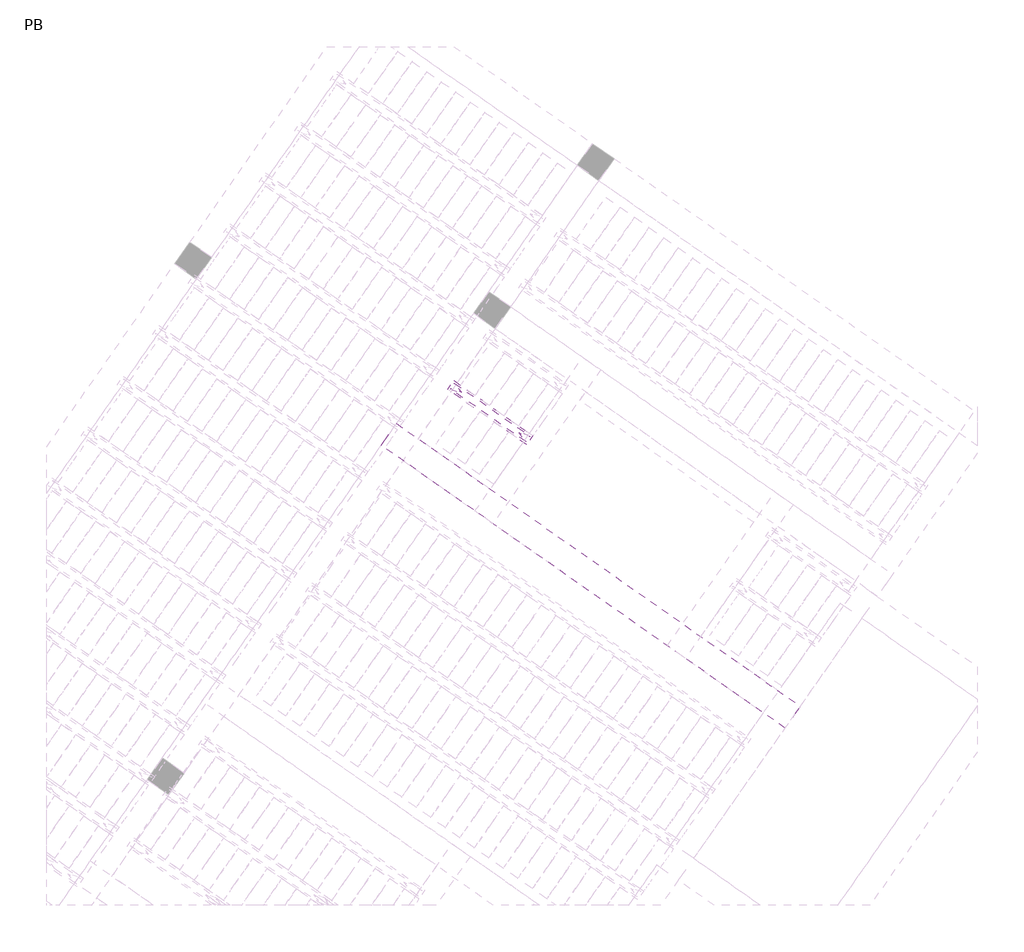
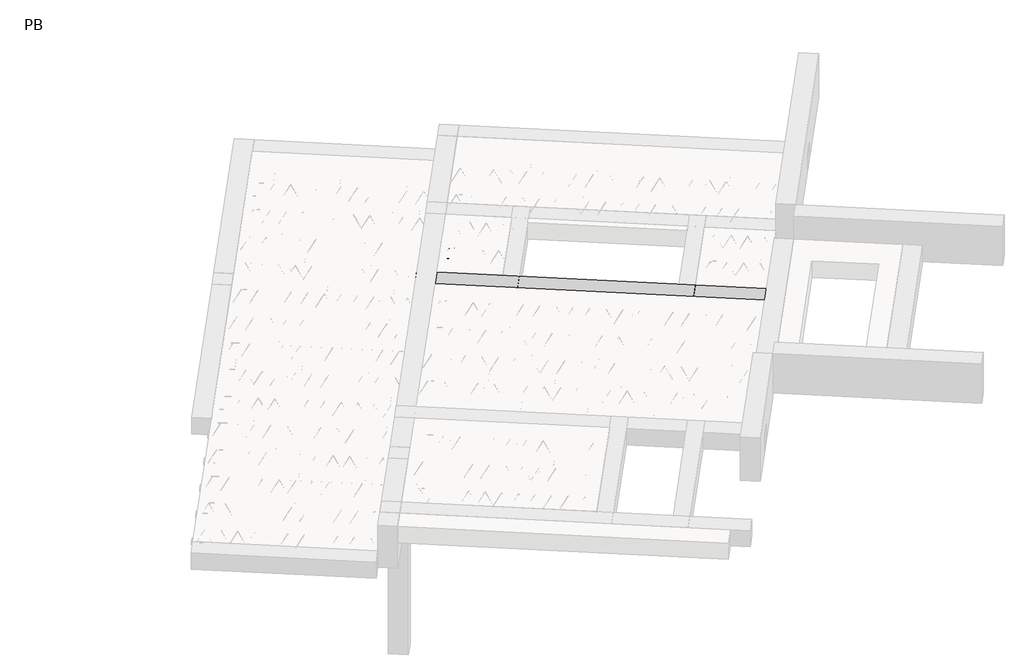
# One storey, part 39 of 56: 5 beams.
"""IFC4 building model written with IfcOpenShell, lengths in millimetres."""

from ifc_helpers import new_model, si_unit, point, frame, origin, origin_2d, place, context, project, spatial, polyline, circle_curve, trimmed, segment, composite_curve, outline, extrude, element, save

model = new_model("IFC4")

# Units and contexts
model_context = context("Model", 3, world=origin())
ifc_project = project(units=[si_unit("LENGTHUNIT", "METRE", prefix="MILLI")], contexts=[model_context])

# Site, building, storey
site = spatial("IfcSite", under=ifc_project)
building = spatial("IfcBuilding", under=site)
storey = spatial("IfcBuildingStorey", under=building, Name="PB", Elevation=95940.0)

# Beams
placement = place(None, origin())
element("IfcBeam", 1, at=placement, inside=storey, context=model_context, shape_type="SweptSolid", body=[
    extrude(outline(polyline([(2800.6463897, 8403.6870499), (2869.475562, 8501.9852952), (5232.259621, 6847.5460859), (5163.4304487, 6749.2478406), (2800.6463897, 8403.6870499)])), frame((0.0, 0.0, 98760.0), z_axis=(0.0, 0.0, 1.0), x_axis=(1.0, 0.0, 0.0)), (0.0, 0.0, 1.0), 50.0),
])
element("IfcBeam", 2, at=placement, inside=storey, context=model_context, shape_type="SweptSolid", body=[
    extrude(outline(polyline([(5327.2608575, 6634.5325533), (5396.0900299, 6732.8307986), (6291.2057032, 6106.0640565), (6222.3765308, 6007.7658112), (5327.2608575, 6634.5325533)])), frame((0.0, 0.0, 99220.0), z_axis=(0.0, 0.0, 1.0), x_axis=(1.0, 0.0, 0.0)), (0.0, 0.0, 1.0), 50.0),
])
element("IfcBeam", 3, at=placement, inside=storey, context=model_context, shape_type="SweptSolid", body=[
    extrude(outline(composite_curve([segment(trimmed(circle_curve(origin_2d(), 2.5), [point((-2.5000001, 0.0))], [point((2.5, 0.0))], False, "CARTESIAN"), True, "CONTINUOUS"), segment(trimmed(circle_curve(origin_2d(), 2.5), [point((2.5, 0.0))], [point((-2.5000001, 0.0))], False, "CARTESIAN"), True, "CONTINUOUS")], self_intersect=False)), frame((6216.4827162, 6041.1912948, 99245.0), z_axis=(-0.8191520442696126, 0.5735764363787226, 0.0), x_axis=(0.5735764363787226, 0.8191520442696126, 0.0)), (0.0, 0.0, 1.0), 1044.734468),
    extrude(outline(composite_curve([segment(trimmed(circle_curve(origin_2d(), 2.5), [point((-2.5000001, 0.0))], [point((2.5, 0.0))], False, "CARTESIAN"), True, "CONTINUOUS"), segment(trimmed(circle_curve(origin_2d(), 2.5), [point((2.5, 0.0))], [point((-2.5000001, 0.0))], False, "CARTESIAN"), True, "CONTINUOUS")], self_intersect=False)), frame((6157.372899, 6126.5283196, 99470.0), z_axis=(-0.8191520442696126, 0.5735764363787226, 0.0), x_axis=(0.5735764363787226, 0.8191520442696126, 0.0)), (0.0, 0.0, 1.0), 850.0),
    extrude(outline(composite_curve([segment(trimmed(circle_curve(origin_2d(), 2.5), [point((-2.5, 0.0))], [point((2.5, 1e-07))], False, "CARTESIAN"), True, "CONTINUOUS"), segment(trimmed(circle_curve(origin_2d(), 2.5), [point((2.5, 1e-07))], [point((-2.5, 0.0))], False, "CARTESIAN"), True, "CONTINUOUS")], self_intersect=False)), frame((6198.1605506, 6054.0206132, 99245.0), z_axis=(-0.3145304735701046, 0.38933448886848654, 0.8657304643902053), x_axis=(0.7778747638402499, 0.6284193279813057, 0.0)), (0.0, 0.0, 1.0), 259.8961331),
    extrude(outline(composite_curve([segment(trimmed(circle_curve(origin_2d(), 2.5), [point((2.5, 0.0))], [point((-2.5, 1e-07))], False, "CARTESIAN"), True, "CONTINUOUS"), segment(trimmed(circle_curve(origin_2d(), 2.5), [point((-2.5, 1e-07))], [point((2.5, 0.0))], False, "CARTESIAN"), True, "CONTINUOUS")], self_intersect=False)), frame((5993.3725395, 6197.4147223, 99245.0), z_axis=(0.47343050384693375, -0.16240172737369005, 0.8657304643902051), x_axis=(-0.3244721671091268, -0.9458952440791246, 0.0)), (0.0, 0.0, 1.0), 259.8961331),
    extrude(outline(composite_curve([segment(trimmed(circle_curve(origin_2d(), 2.5), [point((-2.5, 0.0))], [point((2.5, 1e-07))], False, "CARTESIAN"), True, "CONTINUOUS"), segment(trimmed(circle_curve(origin_2d(), 2.5), [point((2.5, 1e-07))], [point((-2.5, 0.0))], False, "CARTESIAN"), True, "CONTINUOUS")], self_intersect=False)), frame((5993.3725395, 6197.4147223, 99245.0), z_axis=(-0.3145304735701046, 0.38933448886848654, 0.8657304643902053), x_axis=(0.7778747638402499, 0.6284193279813057, 0.0)), (0.0, 0.0, 1.0), 259.8961331),
    extrude(outline(composite_curve([segment(trimmed(circle_curve(origin_2d(), 2.5), [point((2.5, 0.0))], [point((-2.5, 0.0))], False, "CARTESIAN"), True, "CONTINUOUS"), segment(trimmed(circle_curve(origin_2d(), 2.5), [point((-2.5, 0.0))], [point((2.5, 0.0))], False, "CARTESIAN"), True, "CONTINUOUS")], self_intersect=False)), frame((5788.5845285, 6340.8088314, 99245.0), z_axis=(0.47343050384693375, -0.16240172737369005, 0.8657304643902051), x_axis=(-0.3244721671091268, -0.9458952440791246, 0.0)), (0.0, 0.0, 1.0), 259.8961331),
    extrude(outline(composite_curve([segment(trimmed(circle_curve(origin_2d(), 2.5), [point((-2.5, 0.0))], [point((2.5, 0.0))], False, "CARTESIAN"), True, "CONTINUOUS"), segment(trimmed(circle_curve(origin_2d(), 2.5), [point((2.5, 0.0))], [point((-2.5, 0.0))], False, "CARTESIAN"), True, "CONTINUOUS")], self_intersect=False)), frame((5788.5845285, 6340.8088314, 99245.0), z_axis=(-0.3145304735701046, 0.38933448886848654, 0.8657304643902053), x_axis=(0.7778747638402499, 0.6284193279813057, 0.0)), (0.0, 0.0, 1.0), 259.8961331),
    extrude(outline(composite_curve([segment(trimmed(circle_curve(origin_2d(), 2.5), [point((2.5, 0.0))], [point((-2.5, 0.0))], False, "CARTESIAN"), True, "CONTINUOUS"), segment(trimmed(circle_curve(origin_2d(), 2.5), [point((-2.5, 0.0))], [point((2.5, 0.0))], False, "CARTESIAN"), True, "CONTINUOUS")], self_intersect=False)), frame((5583.7965174, 6484.2029405, 99245.0), z_axis=(0.47343050384693375, -0.16240172737369005, 0.8657304643902051), x_axis=(-0.3244721671091268, -0.9458952440791246, 0.0)), (0.0, 0.0, 1.0), 259.8961331),
    extrude(outline(composite_curve([segment(trimmed(circle_curve(origin_2d(), 2.5), [point((-2.5, 0.0))], [point((2.5, 0.0))], False, "CARTESIAN"), True, "CONTINUOUS"), segment(trimmed(circle_curve(origin_2d(), 2.5), [point((2.5, 0.0))], [point((-2.5, 0.0))], False, "CARTESIAN"), True, "CONTINUOUS")], self_intersect=False)), frame((5583.7965174, 6484.2029405, 99245.0), z_axis=(-0.3145304735701046, 0.38933448886848654, 0.8657304643902053), x_axis=(0.7778747638402499, 0.6284193279813057, 0.0)), (0.0, 0.0, 1.0), 259.8961331),
    extrude(outline(composite_curve([segment(trimmed(circle_curve(origin_2d(), 2.5), [point((2.5, 0.0))], [point((-2.5, 1e-07))], False, "CARTESIAN"), True, "CONTINUOUS"), segment(trimmed(circle_curve(origin_2d(), 2.5), [point((-2.5, 1e-07))], [point((2.5, 0.0))], False, "CARTESIAN"), True, "CONTINUOUS")], self_intersect=False)), frame((5379.0085063, 6627.5970496, 99245.0), z_axis=(0.47343050384693375, -0.16240172737369005, 0.8657304643902051), x_axis=(-0.3244721671091268, -0.9458952440791246, 0.0)), (0.0, 0.0, 1.0), 259.8961331),
    extrude(outline(composite_curve([segment(trimmed(circle_curve(origin_2d(), 2.5), [point((-2.4999999, 0.0))], [point((2.5000001, 0.0))], False, "CARTESIAN"), True, "CONTINUOUS"), segment(trimmed(circle_curve(origin_2d(), 2.5), [point((2.5000001, 0.0))], [point((-2.4999999, 0.0))], False, "CARTESIAN"), True, "CONTINUOUS")], self_intersect=False)), frame((6257.7802196, 6100.1702419, 99245.0), z_axis=(-0.8191520442696126, 0.5735764363787226, 0.0), x_axis=(0.5735764363787226, 0.8191520442696126, 0.0)), (0.0, 0.0, 1.0), 1044.734468),
    extrude(outline(composite_curve([segment(trimmed(circle_curve(origin_2d(), 2.5), [point((-2.5, 0.0))], [point((2.5, 0.0))], False, "CARTESIAN"), True, "CONTINUOUS"), segment(trimmed(circle_curve(origin_2d(), 2.5), [point((2.5, 0.0))], [point((-2.5, 0.0))], False, "CARTESIAN"), True, "CONTINUOUS")], self_intersect=False)), frame((6239.458054, 6112.9995604, 99245.0), z_axis=(-0.47343050384693375, 0.16240172737369005, 0.8657304643902051), x_axis=(0.3244721671091268, 0.9458952440791246, 0.0)), (0.0, 0.0, 1.0), 259.8961331),
    extrude(outline(composite_curve([segment(trimmed(circle_curve(origin_2d(), 2.5), [point((2.5000001, -1e-07))], [point((-2.5, 0.0))], False, "CARTESIAN"), True, "CONTINUOUS"), segment(trimmed(circle_curve(origin_2d(), 2.5), [point((-2.5, 0.0))], [point((2.5000001, -1e-07))], False, "CARTESIAN"), True, "CONTINUOUS")], self_intersect=False)), frame((6034.670043, 6256.3936695, 99245.0), z_axis=(0.3145304735701046, -0.38933448886848654, 0.8657304643902053), x_axis=(-0.7778747638402499, -0.6284193279813057, 0.0)), (0.0, 0.0, 1.0), 259.8961331),
    extrude(outline(composite_curve([segment(trimmed(circle_curve(origin_2d(), 2.5), [point((-2.5, 1e-07))], [point((2.5, 0.0))], False, "CARTESIAN"), True, "CONTINUOUS"), segment(trimmed(circle_curve(origin_2d(), 2.5), [point((2.5, 0.0))], [point((-2.5, 1e-07))], False, "CARTESIAN"), True, "CONTINUOUS")], self_intersect=False)), frame((6034.670043, 6256.3936695, 99245.0), z_axis=(-0.47343050384693375, 0.16240172737369005, 0.8657304643902051), x_axis=(0.3244721671091268, 0.9458952440791246, 0.0)), (0.0, 0.0, 1.0), 259.8961331),
    extrude(outline(composite_curve([segment(trimmed(circle_curve(origin_2d(), 2.5), [point((2.5, 0.0))], [point((-2.5, 0.0))], False, "CARTESIAN"), True, "CONTINUOUS"), segment(trimmed(circle_curve(origin_2d(), 2.5), [point((-2.5, 0.0))], [point((2.5, 0.0))], False, "CARTESIAN"), True, "CONTINUOUS")], self_intersect=False)), frame((5829.8820319, 6399.7877786, 99245.0), z_axis=(0.3145304735701046, -0.38933448886848654, 0.8657304643902053), x_axis=(-0.7778747638402499, -0.6284193279813057, 0.0)), (0.0, 0.0, 1.0), 259.8961331),
    extrude(outline(composite_curve([segment(trimmed(circle_curve(origin_2d(), 2.5), [point((-2.5, 0.0))], [point((2.5, 0.0))], False, "CARTESIAN"), True, "CONTINUOUS"), segment(trimmed(circle_curve(origin_2d(), 2.5), [point((2.5, 0.0))], [point((-2.5, 0.0))], False, "CARTESIAN"), True, "CONTINUOUS")], self_intersect=False)), frame((5829.8820319, 6399.7877786, 99245.0), z_axis=(-0.47343050384693375, 0.16240172737369005, 0.8657304643902051), x_axis=(0.3244721671091268, 0.9458952440791246, 0.0)), (0.0, 0.0, 1.0), 259.8961331),
    extrude(outline(composite_curve([segment(trimmed(circle_curve(origin_2d(), 2.5), [point((2.5, 0.0))], [point((-2.5, 0.0))], False, "CARTESIAN"), True, "CONTINUOUS"), segment(trimmed(circle_curve(origin_2d(), 2.5), [point((-2.5, 0.0))], [point((2.5, 0.0))], False, "CARTESIAN"), True, "CONTINUOUS")], self_intersect=False)), frame((5625.0940208, 6543.1818877, 99245.0), z_axis=(0.3145304735701046, -0.38933448886848654, 0.8657304643902053), x_axis=(-0.7778747638402499, -0.6284193279813057, 0.0)), (0.0, 0.0, 1.0), 259.8961331),
    extrude(outline(composite_curve([segment(trimmed(circle_curve(origin_2d(), 2.5), [point((-2.5, 0.0))], [point((2.5, 0.0))], False, "CARTESIAN"), True, "CONTINUOUS"), segment(trimmed(circle_curve(origin_2d(), 2.5), [point((2.5, 0.0))], [point((-2.5, 0.0))], False, "CARTESIAN"), True, "CONTINUOUS")], self_intersect=False)), frame((5625.0940208, 6543.1818877, 99245.0), z_axis=(-0.47343050384693375, 0.16240172737369005, 0.8657304643902051), x_axis=(0.3244721671091268, 0.9458952440791246, 0.0)), (0.0, 0.0, 1.0), 259.8961331),
    extrude(outline(composite_curve([segment(trimmed(circle_curve(origin_2d(), 2.5), [point((2.5000001, -1e-07))], [point((-2.5, 0.0))], False, "CARTESIAN"), True, "CONTINUOUS"), segment(trimmed(circle_curve(origin_2d(), 2.5), [point((-2.5, 0.0))], [point((2.5000001, -1e-07))], False, "CARTESIAN"), True, "CONTINUOUS")], self_intersect=False)), frame((5420.3060098, 6686.5759968, 99245.0), z_axis=(0.3145304735701046, -0.38933448886848654, 0.8657304643902053), x_axis=(-0.7778747638402499, -0.6284193279813057, 0.0)), (0.0, 0.0, 1.0), 259.8961331),
])
element("IfcBeam", 4, at=placement, inside=storey, context=model_context, shape_type="SweptSolid", body=[
    extrude(outline(polyline([(5327.2608575, 6634.5325533), (5396.0900299, 6732.8307986), (6291.2057032, 6106.0640565), (6222.3765308, 6007.7658112), (5327.2608575, 6634.5325533)])), frame((0.0, 0.0, 99220.0), z_axis=(0.0, 0.0, 1.0), x_axis=(1.0, 0.0, 0.0)), (0.0, 0.0, 1.0), 50.0),
    extrude(outline(composite_curve([segment(trimmed(circle_curve(origin_2d(), 2.5), [point((-2.5000001, 0.0))], [point((2.5, 0.0))], False, "CARTESIAN"), True, "CONTINUOUS"), segment(trimmed(circle_curve(origin_2d(), 2.5), [point((2.5, 0.0))], [point((-2.5000001, 0.0))], False, "CARTESIAN"), True, "CONTINUOUS")], self_intersect=False)), frame((6216.4827162, 6041.1912948, 99245.0), z_axis=(-0.8191520442696126, 0.5735764363787226, 0.0), x_axis=(0.5735764363787226, 0.8191520442696126, 0.0)), (0.0, 0.0, 1.0), 1044.734468),
    extrude(outline(composite_curve([segment(trimmed(circle_curve(origin_2d(), 2.5), [point((-2.5000001, 0.0))], [point((2.5, 0.0))], False, "CARTESIAN"), True, "CONTINUOUS"), segment(trimmed(circle_curve(origin_2d(), 2.5), [point((2.5, 0.0))], [point((-2.5000001, 0.0))], False, "CARTESIAN"), True, "CONTINUOUS")], self_intersect=False)), frame((6157.372899, 6126.5283196, 99470.0), z_axis=(-0.8191520442696126, 0.5735764363787226, 0.0), x_axis=(0.5735764363787226, 0.8191520442696126, 0.0)), (0.0, 0.0, 1.0), 850.0),
    extrude(outline(composite_curve([segment(trimmed(circle_curve(origin_2d(), 2.5), [point((-2.5, 0.0))], [point((2.5, 1e-07))], False, "CARTESIAN"), True, "CONTINUOUS"), segment(trimmed(circle_curve(origin_2d(), 2.5), [point((2.5, 1e-07))], [point((-2.5, 0.0))], False, "CARTESIAN"), True, "CONTINUOUS")], self_intersect=False)), frame((6198.1605506, 6054.0206132, 99245.0), z_axis=(-0.3145304735701046, 0.38933448886848654, 0.8657304643902053), x_axis=(0.7778747638402499, 0.6284193279813057, 0.0)), (0.0, 0.0, 1.0), 259.8961331),
    extrude(outline(composite_curve([segment(trimmed(circle_curve(origin_2d(), 2.5), [point((2.5, 0.0))], [point((-2.5, 1e-07))], False, "CARTESIAN"), True, "CONTINUOUS"), segment(trimmed(circle_curve(origin_2d(), 2.5), [point((-2.5, 1e-07))], [point((2.5, 0.0))], False, "CARTESIAN"), True, "CONTINUOUS")], self_intersect=False)), frame((5993.3725395, 6197.4147223, 99245.0), z_axis=(0.47343050384693375, -0.16240172737369005, 0.8657304643902051), x_axis=(-0.3244721671091268, -0.9458952440791246, 0.0)), (0.0, 0.0, 1.0), 259.8961331),
    extrude(outline(composite_curve([segment(trimmed(circle_curve(origin_2d(), 2.5), [point((-2.5, 0.0))], [point((2.5, 1e-07))], False, "CARTESIAN"), True, "CONTINUOUS"), segment(trimmed(circle_curve(origin_2d(), 2.5), [point((2.5, 1e-07))], [point((-2.5, 0.0))], False, "CARTESIAN"), True, "CONTINUOUS")], self_intersect=False)), frame((5993.3725395, 6197.4147223, 99245.0), z_axis=(-0.3145304735701046, 0.38933448886848654, 0.8657304643902053), x_axis=(0.7778747638402499, 0.6284193279813057, 0.0)), (0.0, 0.0, 1.0), 259.8961331),
    extrude(outline(composite_curve([segment(trimmed(circle_curve(origin_2d(), 2.5), [point((2.5, 0.0))], [point((-2.5, 0.0))], False, "CARTESIAN"), True, "CONTINUOUS"), segment(trimmed(circle_curve(origin_2d(), 2.5), [point((-2.5, 0.0))], [point((2.5, 0.0))], False, "CARTESIAN"), True, "CONTINUOUS")], self_intersect=False)), frame((5788.5845285, 6340.8088314, 99245.0), z_axis=(0.47343050384693375, -0.16240172737369005, 0.8657304643902051), x_axis=(-0.3244721671091268, -0.9458952440791246, 0.0)), (0.0, 0.0, 1.0), 259.8961331),
    extrude(outline(composite_curve([segment(trimmed(circle_curve(origin_2d(), 2.5), [point((-2.5, 0.0))], [point((2.5, 0.0))], False, "CARTESIAN"), True, "CONTINUOUS"), segment(trimmed(circle_curve(origin_2d(), 2.5), [point((2.5, 0.0))], [point((-2.5, 0.0))], False, "CARTESIAN"), True, "CONTINUOUS")], self_intersect=False)), frame((5788.5845285, 6340.8088314, 99245.0), z_axis=(-0.3145304735701046, 0.38933448886848654, 0.8657304643902053), x_axis=(0.7778747638402499, 0.6284193279813057, 0.0)), (0.0, 0.0, 1.0), 259.8961331),
    extrude(outline(composite_curve([segment(trimmed(circle_curve(origin_2d(), 2.5), [point((2.5, 0.0))], [point((-2.5, 0.0))], False, "CARTESIAN"), True, "CONTINUOUS"), segment(trimmed(circle_curve(origin_2d(), 2.5), [point((-2.5, 0.0))], [point((2.5, 0.0))], False, "CARTESIAN"), True, "CONTINUOUS")], self_intersect=False)), frame((5583.7965174, 6484.2029405, 99245.0), z_axis=(0.47343050384693375, -0.16240172737369005, 0.8657304643902051), x_axis=(-0.3244721671091268, -0.9458952440791246, 0.0)), (0.0, 0.0, 1.0), 259.8961331),
    extrude(outline(composite_curve([segment(trimmed(circle_curve(origin_2d(), 2.5), [point((-2.5, 0.0))], [point((2.5, 0.0))], False, "CARTESIAN"), True, "CONTINUOUS"), segment(trimmed(circle_curve(origin_2d(), 2.5), [point((2.5, 0.0))], [point((-2.5, 0.0))], False, "CARTESIAN"), True, "CONTINUOUS")], self_intersect=False)), frame((5583.7965174, 6484.2029405, 99245.0), z_axis=(-0.3145304735701046, 0.38933448886848654, 0.8657304643902053), x_axis=(0.7778747638402499, 0.6284193279813057, 0.0)), (0.0, 0.0, 1.0), 259.8961331),
    extrude(outline(composite_curve([segment(trimmed(circle_curve(origin_2d(), 2.5), [point((2.5, 0.0))], [point((-2.5, 1e-07))], False, "CARTESIAN"), True, "CONTINUOUS"), segment(trimmed(circle_curve(origin_2d(), 2.5), [point((-2.5, 1e-07))], [point((2.5, 0.0))], False, "CARTESIAN"), True, "CONTINUOUS")], self_intersect=False)), frame((5379.0085063, 6627.5970496, 99245.0), z_axis=(0.47343050384693375, -0.16240172737369005, 0.8657304643902051), x_axis=(-0.3244721671091268, -0.9458952440791246, 0.0)), (0.0, 0.0, 1.0), 259.8961331),
    extrude(outline(composite_curve([segment(trimmed(circle_curve(origin_2d(), 2.5), [point((-2.4999999, 0.0))], [point((2.5000001, 0.0))], False, "CARTESIAN"), True, "CONTINUOUS"), segment(trimmed(circle_curve(origin_2d(), 2.5), [point((2.5000001, 0.0))], [point((-2.4999999, 0.0))], False, "CARTESIAN"), True, "CONTINUOUS")], self_intersect=False)), frame((6257.7802196, 6100.1702419, 99245.0), z_axis=(-0.8191520442696126, 0.5735764363787226, 0.0), x_axis=(0.5735764363787226, 0.8191520442696126, 0.0)), (0.0, 0.0, 1.0), 1044.734468),
    extrude(outline(composite_curve([segment(trimmed(circle_curve(origin_2d(), 2.5), [point((-2.5, 0.0))], [point((2.5, 0.0))], False, "CARTESIAN"), True, "CONTINUOUS"), segment(trimmed(circle_curve(origin_2d(), 2.5), [point((2.5, 0.0))], [point((-2.5, 0.0))], False, "CARTESIAN"), True, "CONTINUOUS")], self_intersect=False)), frame((6239.458054, 6112.9995604, 99245.0), z_axis=(-0.47343050384693375, 0.16240172737369005, 0.8657304643902051), x_axis=(0.3244721671091268, 0.9458952440791246, 0.0)), (0.0, 0.0, 1.0), 259.8961331),
    extrude(outline(composite_curve([segment(trimmed(circle_curve(origin_2d(), 2.5), [point((2.5000001, -1e-07))], [point((-2.5, 0.0))], False, "CARTESIAN"), True, "CONTINUOUS"), segment(trimmed(circle_curve(origin_2d(), 2.5), [point((-2.5, 0.0))], [point((2.5000001, -1e-07))], False, "CARTESIAN"), True, "CONTINUOUS")], self_intersect=False)), frame((6034.670043, 6256.3936695, 99245.0), z_axis=(0.3145304735701046, -0.38933448886848654, 0.8657304643902053), x_axis=(-0.7778747638402499, -0.6284193279813057, 0.0)), (0.0, 0.0, 1.0), 259.8961331),
    extrude(outline(composite_curve([segment(trimmed(circle_curve(origin_2d(), 2.5), [point((-2.5, 1e-07))], [point((2.5, 0.0))], False, "CARTESIAN"), True, "CONTINUOUS"), segment(trimmed(circle_curve(origin_2d(), 2.5), [point((2.5, 0.0))], [point((-2.5, 1e-07))], False, "CARTESIAN"), True, "CONTINUOUS")], self_intersect=False)), frame((6034.670043, 6256.3936695, 99245.0), z_axis=(-0.47343050384693375, 0.16240172737369005, 0.8657304643902051), x_axis=(0.3244721671091268, 0.9458952440791246, 0.0)), (0.0, 0.0, 1.0), 259.8961331),
    extrude(outline(composite_curve([segment(trimmed(circle_curve(origin_2d(), 2.5), [point((2.5, 0.0))], [point((-2.5, 0.0))], False, "CARTESIAN"), True, "CONTINUOUS"), segment(trimmed(circle_curve(origin_2d(), 2.5), [point((-2.5, 0.0))], [point((2.5, 0.0))], False, "CARTESIAN"), True, "CONTINUOUS")], self_intersect=False)), frame((5829.8820319, 6399.7877786, 99245.0), z_axis=(0.3145304735701046, -0.38933448886848654, 0.8657304643902053), x_axis=(-0.7778747638402499, -0.6284193279813057, 0.0)), (0.0, 0.0, 1.0), 259.8961331),
    extrude(outline(composite_curve([segment(trimmed(circle_curve(origin_2d(), 2.5), [point((-2.5, 0.0))], [point((2.5, 0.0))], False, "CARTESIAN"), True, "CONTINUOUS"), segment(trimmed(circle_curve(origin_2d(), 2.5), [point((2.5, 0.0))], [point((-2.5, 0.0))], False, "CARTESIAN"), True, "CONTINUOUS")], self_intersect=False)), frame((5829.8820319, 6399.7877786, 99245.0), z_axis=(-0.47343050384693375, 0.16240172737369005, 0.8657304643902051), x_axis=(0.3244721671091268, 0.9458952440791246, 0.0)), (0.0, 0.0, 1.0), 259.8961331),
    extrude(outline(composite_curve([segment(trimmed(circle_curve(origin_2d(), 2.5), [point((2.5, 0.0))], [point((-2.5, 0.0))], False, "CARTESIAN"), True, "CONTINUOUS"), segment(trimmed(circle_curve(origin_2d(), 2.5), [point((-2.5, 0.0))], [point((2.5, 0.0))], False, "CARTESIAN"), True, "CONTINUOUS")], self_intersect=False)), frame((5625.0940208, 6543.1818877, 99245.0), z_axis=(0.3145304735701046, -0.38933448886848654, 0.8657304643902053), x_axis=(-0.7778747638402499, -0.6284193279813057, 0.0)), (0.0, 0.0, 1.0), 259.8961331),
    extrude(outline(composite_curve([segment(trimmed(circle_curve(origin_2d(), 2.5), [point((-2.5, 0.0))], [point((2.5, 0.0))], False, "CARTESIAN"), True, "CONTINUOUS"), segment(trimmed(circle_curve(origin_2d(), 2.5), [point((2.5, 0.0))], [point((-2.5, 0.0))], False, "CARTESIAN"), True, "CONTINUOUS")], self_intersect=False)), frame((5625.0940208, 6543.1818877, 99245.0), z_axis=(-0.47343050384693375, 0.16240172737369005, 0.8657304643902051), x_axis=(0.3244721671091268, 0.9458952440791246, 0.0)), (0.0, 0.0, 1.0), 259.8961331),
    extrude(outline(composite_curve([segment(trimmed(circle_curve(origin_2d(), 2.5), [point((2.5000001, -1e-07))], [point((-2.5, 0.0))], False, "CARTESIAN"), True, "CONTINUOUS"), segment(trimmed(circle_curve(origin_2d(), 2.5), [point((-2.5, 0.0))], [point((2.5000001, -1e-07))], False, "CARTESIAN"), True, "CONTINUOUS")], self_intersect=False)), frame((5420.3060098, 6686.5759968, 99245.0), z_axis=(0.3145304735701046, -0.38933448886848654, 0.8657304643902053), x_axis=(-0.7778747638402499, -0.6284193279813057, 0.0)), (0.0, 0.0, 1.0), 259.8961331),
])
element("IfcBeam", 5, at=placement, inside=storey, context=model_context, shape_type="SweptSolid", body=[
    extrude(outline(polyline([(4578.4354113, 6000.9606838), (4750.5083422, 6246.7062971), (9309.5433074, 3054.4356472), (9137.4703765, 2808.6900339), (4578.4354113, 6000.9606838)])), frame((0.0, 0.0, 99220.0), z_axis=(0.0, 0.0, 1.0), x_axis=(1.0, 0.0, 0.0)), (0.0, 0.0, 1.0), 300.0),
])

save(model, "model.ifc")
